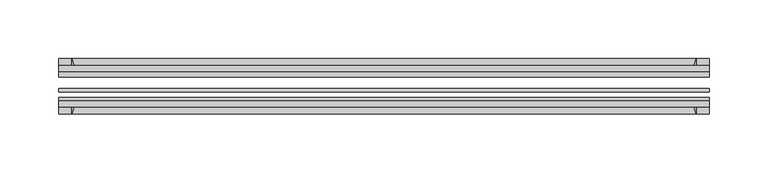
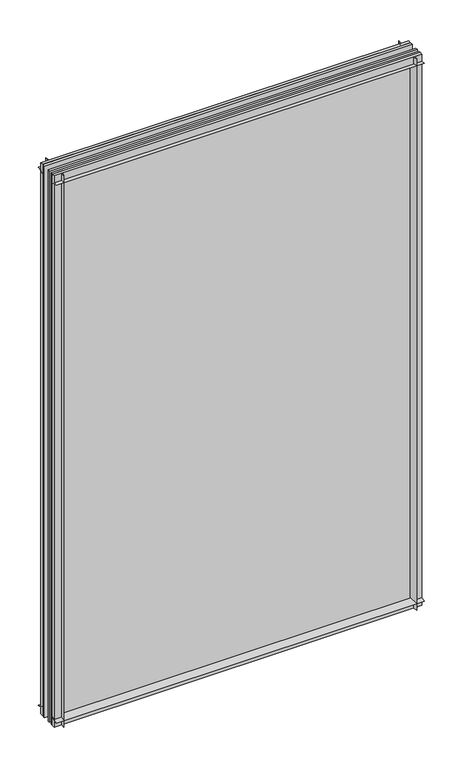
"""IFC4 building model written with IfcOpenShell, lengths in millimetres: plate geometry."""

import ifcopenshell
import ifcopenshell.guid

model = None  # the IFC model being written
_history = None  # IfcOwnerHistory: only IFC2X3 demands one
_inside = {}  # id of a spatial element -> (the spatial element, [elements in it])
_under = {}  # id of a project, library or spatial element -> (it, [spatial elements below it])
_declared = {}  # id of a project -> (the project, [libraries it declares])
_typed = {}  # id of a type object -> (the type object, [elements of that type])
_made_of = {}  # id of a material, layer set ... -> (it, [elements and type objects made of it])


def new_model(schema):
    """Start an empty IFC model of exactly this schema.

    Asked for "IFC4X3", IfcOpenShell would pick the latest addendum, in which some entities
    have other attributes; the version numbers below select the first issue.
    IFC2X3 requires an IfcOwnerHistory on every rooted entity: one is made here for all.
    """
    global model, _history
    if schema == "IFC4X3":
        model = ifcopenshell.file(schema_version=(4, 3, 0, 0))
    else:
        model = ifcopenshell.file(schema=schema)
    _inside.clear()
    _under.clear()
    _declared.clear()
    _typed.clear()
    _made_of.clear()
    _history = None
    if model.schema == "IFC2X3":
        org = make("IfcOrganization", Name="unknown")
        user = make(
            "IfcPersonAndOrganization",
            ThePerson=make("IfcPerson", FamilyName="unknown"),
            TheOrganization=org,
        )
        app = make(
            "IfcApplication",
            ApplicationDeveloper=org,
            Version="unknown",
            ApplicationFullName="unknown",
            ApplicationIdentifier="unknown",
        )
        _history = make(
            "IfcOwnerHistory",
            OwningUser=user,
            OwningApplication=app,
            ChangeAction="ADDED",
            CreationDate=0,
        )
    return model


def make(cls, **values):
    """One entity of the class cls with the attributes given. An attribute that is None is left unset."""
    return model.create_entity(
        cls, **{name: value for name, value in values.items() if value is not None}
    )


def rooted(cls, **values):
    """An entity with a GlobalId (a new one), such as an element, a storey or a relation."""
    return make(cls, GlobalId=ifcopenshell.guid.new(), OwnerHistory=_history, **values)


def si_unit(unit_type, name, prefix=None):
    """IfcSIUnit, for example si_unit("LENGTHUNIT", "METRE", prefix="MILLI")."""
    return make("IfcSIUnit", UnitType=unit_type, Prefix=prefix, Name=name)


def assignment(units):
    """IfcUnitAssignment: the units of a project."""
    return None if units is None else make("IfcUnitAssignment", Units=units)


def point(xyz):
    """IfcCartesianPoint."""
    return None if xyz is None else make("IfcCartesianPoint", Coordinates=xyz)


def direction(xyz):
    """IfcDirection."""
    return None if xyz is None else make("IfcDirection", DirectionRatios=xyz)


def frame(location, z_axis=None, x_axis=None):
    """IfcAxis2Placement3D, a coordinate frame: its origin and axes. An axis left out is left unset."""
    return make(
        "IfcAxis2Placement3D",
        Location=point(location),
        Axis=direction(z_axis),
        RefDirection=direction(x_axis),
    )


def frame_2d(location, x_axis=None):
    """IfcAxis2Placement2D, a coordinate frame in the plane: its origin and x axis."""
    return make(
        "IfcAxis2Placement2D", Location=point(location), RefDirection=direction(x_axis)
    )


def origin():
    """The frame at (0, 0, 0) with its axes left unset."""
    return frame((0.0, 0.0, 0.0))


def place(relative_to, where):
    """IfcLocalPlacement: puts the frame where relative to a parent placement (None: the world)."""
    return make(
        "IfcLocalPlacement", PlacementRelTo=relative_to, RelativePlacement=where
    )


def context(
    kind, dimensions, precision=None, world=None, true_north=None, identifier=None
):
    """IfcGeometricRepresentationContext, for example the 3D "Model" context."""
    return make(
        "IfcGeometricRepresentationContext",
        ContextIdentifier=identifier,
        ContextType=kind,
        CoordinateSpaceDimension=dimensions,
        Precision=precision,
        WorldCoordinateSystem=world,
        TrueNorth=true_north,
    )


def project(units=None, contexts=None):
    """IfcProject with its units and contexts."""
    return rooted(
        "IfcProject",
        Name="project",
        RepresentationContexts=contexts,
        UnitsInContext=assignment(units),
    )


def spatial(cls, under=None, at=None, **own):
    """A site, building, storey or space (cls), placed at a placement, below another one or the project."""
    s = rooted(cls, ObjectPlacement=at, **own)
    if under is not None:
        _under.setdefault(under.id(), (under, []))[1].append(s)
    return s


def polyline(points):
    """IfcPolyline through the points."""
    return make("IfcPolyline", Points=[point(p) for p in points])


def circle_curve(where, radius):
    """IfcCircle in the frame where."""
    return make("IfcCircle", Position=where, Radius=radius)


def trimmed(basis, trim1, trim2, sense, master):
    """IfcTrimmedCurve: the piece of a basis curve between two trims."""
    return make(
        "IfcTrimmedCurve",
        BasisCurve=basis,
        Trim1=trim1,
        Trim2=trim2,
        SenseAgreement=sense,
        MasterRepresentation=master,
    )


def segment(curve, same_sense, transition):
    """IfcCompositeCurveSegment."""
    return make(
        "IfcCompositeCurveSegment",
        Transition=transition,
        SameSense=same_sense,
        ParentCurve=curve,
    )


def composite_curve(segments, self_intersect=None):
    """IfcCompositeCurve: segments joined end to end."""
    return make("IfcCompositeCurve", Segments=segments, SelfIntersect=self_intersect)


def outline(outer, holes=None, kind="AREA"):
    """IfcArbitraryClosedProfileDef: a profile drawn as a closed curve; with holes, ...WithVoids."""
    if holes is None:
        return make("IfcArbitraryClosedProfileDef", ProfileType=kind, OuterCurve=outer)
    return make(
        "IfcArbitraryProfileDefWithVoids",
        ProfileType=kind,
        OuterCurve=outer,
        InnerCurves=holes,
    )


def extrude(swept, where, along, depth):
    """IfcExtrudedAreaSolid: the profile swept, set in the frame where, extruded along a direction by depth."""
    return make(
        "IfcExtrudedAreaSolid",
        SweptArea=swept,
        Position=where,
        ExtrudedDirection=direction(along),
        Depth=depth,
    )


def shape(context_of_items, identifier, shape_type, items):
    """IfcShapeRepresentation: the items that make up one representation, for example the "Body"."""
    return make(
        "IfcShapeRepresentation",
        ContextOfItems=context_of_items,
        RepresentationIdentifier=identifier,
        RepresentationType=shape_type,
        Items=items,
    )


def source(mapping_origin, context_of_items, identifier, shape_type, items):
    """IfcRepresentationMap: a shape defined once, which mapped items show again and again."""
    return make(
        "IfcRepresentationMap",
        MappingOrigin=mapping_origin,
        MappedRepresentation=shape(context_of_items, identifier, shape_type, items),
    )


def transform(
    local_origin,
    x_axis=None,
    y_axis=None,
    z_axis=None,
    scale=None,
    scale2=None,
    scale3=None,
    uniform=True,
):
    """IfcCartesianTransformationOperator3D, or its non-uniform kind. x_axis, y_axis, z_axis: its Axis1, 2, 3."""
    if uniform:
        return make(
            "IfcCartesianTransformationOperator3D",
            Axis1=direction(x_axis),
            Axis2=direction(y_axis),
            LocalOrigin=point(local_origin),
            Scale=scale,
            Axis3=direction(z_axis),
        )
    return make(
        "IfcCartesianTransformationOperator3DnonUniform",
        Axis1=direction(x_axis),
        Axis2=direction(y_axis),
        LocalOrigin=point(local_origin),
        Scale=scale,
        Axis3=direction(z_axis),
        Scale2=scale2,
        Scale3=scale3,
    )


def mapped(mapping_source, mapping_target):
    """IfcMappedItem: shows the shape of a source again, moved by a transform."""
    return make(
        "IfcMappedItem", MappingSource=mapping_source, MappingTarget=mapping_target
    )


def made_of(thing, what):
    """Note that an element or type object is made of a material, layer set ...; save() writes the relation."""
    if what is not None:
        _made_of.setdefault(what.id(), (what, []))[1].append(thing)
    return thing


def element(
    cls,
    number,
    at=None,
    inside=None,
    cuts=None,
    type_object=None,
    material=None,
    context=None,
    identifier="Body",
    shape_type=None,
    held_by="IfcProductDefinitionShape",
    body=None,
    shapes=None,
    **own,
):
    """One element of the class cls, such as IfcWall. Its Tag is "e" and its number.

    at: its placement. inside: the storey or other place that contains it. cuts: it is an
    opening in that element (IfcRelVoidsElement). A single representation is given by context,
    identifier, shape_type and body (its items); several are given by shapes. held_by: the class
    of the entity that holds the representations. save() writes the other relations.
    """
    e = rooted(cls, Tag="e%d" % number, ObjectPlacement=at, **own)
    if body is not None:
        shapes = [shape(context, identifier, shape_type, body)]
    if shapes is not None:
        e.Representation = make(held_by, Representations=shapes)
    if inside is not None:
        _inside.setdefault(inside.id(), (inside, []))[1].append(e)
    if cuts is not None:
        rooted(
            "IfcRelVoidsElement", RelatingBuildingElement=cuts, RelatedOpeningElement=e
        )
    if type_object is not None:
        _typed.setdefault(type_object.id(), (type_object, []))[1].append(e)
    return made_of(e, material)


def aggregate(whole, parts):
    """IfcRelAggregates: a whole, such as a stair, and the parts it consists of."""
    return rooted("IfcRelAggregates", RelatingObject=whole, RelatedObjects=parts)


def save(model, path):
    """Write the relations noted so far, then the file.

    IfcRelAggregates (storeys below a building ...), IfcRelContainedInSpatialStructure (elements
    in a storey), IfcRelDefinesByType, IfcRelAssociatesMaterial and IfcRelDeclares: one each for
    every whole, place, type object, material and project.
    """
    for whole, parts in _under.values():
        aggregate(whole, parts)
    for where, things in _inside.values():
        rooted(
            "IfcRelContainedInSpatialStructure",
            RelatedElements=things,
            RelatingStructure=where,
        )
    for kind, things in _typed.values():
        rooted("IfcRelDefinesByType", RelatedObjects=things, RelatingType=kind)
    for what, things in _made_of.values():
        rooted("IfcRelAssociatesMaterial", RelatedObjects=things, RelatingMaterial=what)
    for by, libraries in _declared.values():
        rooted("IfcRelDeclares", RelatingContext=by, RelatedDefinitions=libraries)
    model.write(path)


def plate_3e21f55c(model_context):
    return source(origin(), model_context, "Body", "SweptSolid", [
        extrude(outline(composite_curve([segment(polyline([(-74.653775, 0.0), (-80.586498, 0.0)]), True, "CONTINUOUS"), segment(trimmed(circle_curve(frame_2d((-86.2543953, 32.273404)), 32.7673262), [point((-80.586498, 0.0))], [point((-69.878575, 3.8915405))], True, "CARTESIAN"), True, "CONTINUOUS"), segment(polyline([(-69.878575, 3.8915405), (-69.878575, -10.31875), (-74.653775, -10.31875), (-74.653775, 0.0)]), True, "CONTINUOUS")], self_intersect=False)), frame((-249.190813, 0.0, 0.0), z_axis=(1.0, 0.0, 0.0), x_axis=(0.0, 1.0, 0.0)), (0.0, 0.0, 1.0), 552.3566259),
        extrude(outline(composite_curve([segment(polyline([(-44.478575, -10.31875), (-44.478575, 3.8915405)]), True, "CONTINUOUS"), segment(trimmed(circle_curve(frame_2d((-28.1027547, 32.273404)), 32.7673262), [point((-44.478575, 3.8915405))], [point((-33.770652, 0.0))], True, "CARTESIAN"), True, "CONTINUOUS"), segment(polyline([(-33.770652, 0.0), (-39.703375, 0.0), (-39.703375, -10.31875), (-44.478575, -10.31875)]), True, "CONTINUOUS")], self_intersect=False)), frame((-249.190813, 0.0, 0.0), z_axis=(1.0, 0.0, 0.0), x_axis=(0.0, 1.0, 0.0)), (0.0, 0.0, 1.0), 552.3566259),
        extrude(outline(composite_curve([segment(trimmed(circle_curve(frame_2d((-86.2543953, 821.795246)), 32.7673262), [point((-69.878575, 850.1771095))], [point((-80.622775, 854.075))], True, "CARTESIAN"), True, "CONTINUOUS"), segment(polyline([(-80.622775, 854.075), (-74.653775, 854.075), (-74.653775, 865.1875), (-69.878575, 865.1875), (-69.878575, 850.1771095)]), True, "CONTINUOUS")], self_intersect=False)), frame((-249.190813, 0.0, 0.0), z_axis=(1.0, 0.0, 0.0), x_axis=(0.0, 1.0, 0.0)), (0.0, 0.0, 1.0), 552.3566259),
        extrude(outline(composite_curve([segment(polyline([(-44.478575, 850.1771095), (-44.478575, 865.1875), (-39.703375, 865.1875), (-39.703375, 854.075), (-33.734375, 854.075)]), True, "CONTINUOUS"), segment(trimmed(circle_curve(frame_2d((-28.1027547, 821.795246)), 32.7673262), [point((-33.734375, 854.075))], [point((-44.478575, 850.1771095))], True, "CARTESIAN"), True, "CONTINUOUS")], self_intersect=False)), frame((-249.190813, 0.0, 0.0), z_axis=(1.0, 0.0, 0.0), x_axis=(0.0, 1.0, 0.0)), (0.0, 0.0, 1.0), 552.3566259),
        extrude(outline(composite_curve([segment(polyline([(288.1554224, -69.878575), (303.165813, -69.878575), (303.165813, -74.653775), (292.053313, -74.653775), (292.053313, -80.622775)]), True, "CONTINUOUS"), segment(trimmed(circle_curve(frame_2d((259.773559, -86.2543953)), 32.7673262), [point((292.053313, -80.622775))], [point((288.1554224, -69.878575))], True, "CARTESIAN"), True, "CONTINUOUS")], self_intersect=False)), frame((0.0, 0.0, -10.31875), z_axis=(0.0, 0.0, 1.0), x_axis=(1.0, 0.0, 0.0)), (0.0, 0.0, 1.0), 875.50625),
        extrude(outline(composite_curve([segment(trimmed(circle_curve(frame_2d((259.773559, -28.1027547)), 32.7673262), [point((288.1554224, -44.478575))], [point((292.053313, -33.734375))], True, "CARTESIAN"), True, "CONTINUOUS"), segment(polyline([(292.053313, -33.734375), (292.053313, -39.703375), (303.165813, -39.703375), (303.165813, -44.478575), (288.1554224, -44.478575)]), True, "CONTINUOUS")], self_intersect=False)), frame((0.0, 0.0, -10.31875), z_axis=(0.0, 0.0, 1.0), x_axis=(1.0, 0.0, 0.0)), (0.0, 0.0, 1.0), 875.50625),
        extrude(outline(composite_curve([segment(trimmed(circle_curve(frame_2d((-205.798559, -86.2543953)), 32.7673262), [point((-234.1804224, -69.878575))], [point((-238.078313, -80.622775))], True, "CARTESIAN"), True, "CONTINUOUS"), segment(polyline([(-238.078313, -80.622775), (-238.078313, -74.653775), (-249.190813, -74.653775), (-249.190813, -69.878575), (-234.1804224, -69.878575)]), True, "CONTINUOUS")], self_intersect=False)), frame((0.0, 0.0, -10.31875), z_axis=(0.0, 0.0, 1.0), x_axis=(1.0, 0.0, 0.0)), (0.0, 0.0, 1.0), 875.50625),
        extrude(outline(composite_curve([segment(polyline([(-234.1804224, -44.478575), (-249.190813, -44.478575), (-249.190813, -39.703375), (-238.078313, -39.703375), (-238.078313, -33.734375)]), True, "CONTINUOUS"), segment(trimmed(circle_curve(frame_2d((-205.798559, -28.1027547)), 32.7673262), [point((-238.078313, -33.734375))], [point((-234.1804224, -44.478575))], True, "CARTESIAN"), True, "CONTINUOUS")], self_intersect=False)), frame((0.0, 0.0, -10.31875), z_axis=(0.0, 0.0, 1.0), x_axis=(1.0, 0.0, 0.0)), (0.0, 0.0, 1.0), 875.50625),
        extrude(outline(polyline([(-249.190813, -44.478575), (303.165813, -44.478575), (303.165813, -49.241075), (-249.190813, -49.241075), (-249.190813, -44.478575)])), frame((0.0, 0.0, -10.31875), z_axis=(0.0, 0.0, 1.0), x_axis=(1.0, 0.0, 0.0)), (0.0, 0.0, 1.0), 875.50625),
        extrude(outline(polyline([(303.165813, -58.956575), (303.165813, -62.131575), (-249.190813, -62.131575), (-249.190813, -58.956575), (303.165813, -58.956575)])), frame((0.0, 0.0, -10.31875), z_axis=(0.0, 0.0, 1.0), x_axis=(1.0, 0.0, 0.0)), (0.0, 0.0, 1.0), 875.50625),
        extrude(outline(polyline([(-249.190813, -66.703575), (303.165813, -66.703575), (303.165813, -69.878575), (-249.190813, -69.878575), (-249.190813, -66.703575)])), frame((0.0, 0.0, -10.31875), z_axis=(0.0, 0.0, 1.0), x_axis=(1.0, 0.0, 0.0)), (0.0, 0.0, 1.0), 875.50625),
    ])


if __name__ == "__main__":
    model = new_model("IFC4")
    model_context = context("Model", 3, world=origin())
    ifc_project = project(units=[si_unit("LENGTHUNIT", "METRE", prefix="MILLI")], contexts=[model_context])
    site = spatial("IfcSite", under=ifc_project)
    building = spatial("IfcBuilding", under=site)
    placement = place(None, origin())
    plate_shape = plate_3e21f55c(model_context)
    element("IfcPlate", 1, at=placement, inside=building, context=model_context, shape_type="MappedRepresentation", body=[
        mapped(plate_shape, transform((0.0, 0.0, 0.0), x_axis=(1.0, 0.0, 0.0), y_axis=(0.0, 1.0, 0.0), z_axis=(0.0, 0.0, 1.0))),
    ])
    save(model, "model.ifc")
